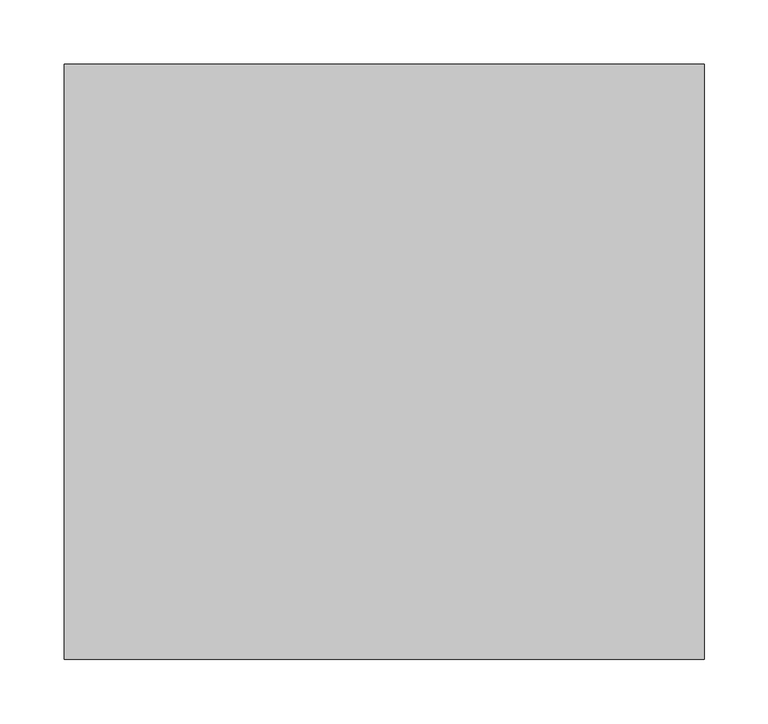
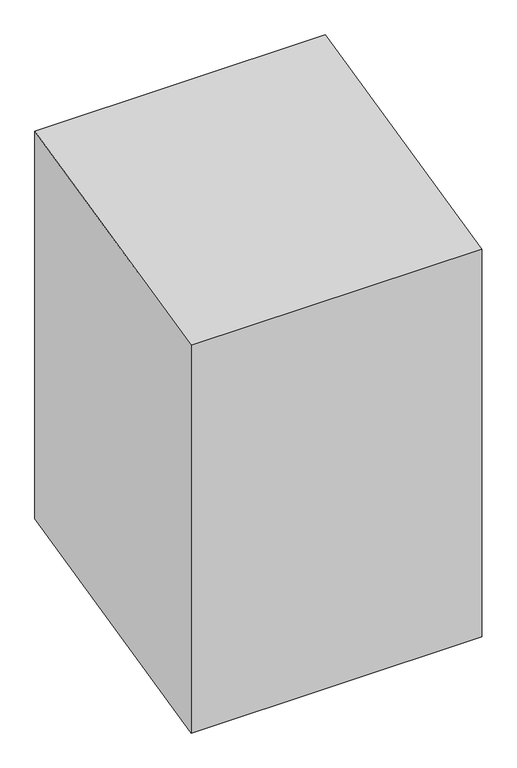
"""IFC4 building model written with IfcOpenShell, lengths in millimetres: beam geometry."""

import ifcopenshell
import ifcopenshell.guid

model = None  # the IFC model being written
_history = None  # IfcOwnerHistory: only IFC2X3 demands one
_inside = {}  # id of a spatial element -> (the spatial element, [elements in it])
_under = {}  # id of a project, library or spatial element -> (it, [spatial elements below it])
_declared = {}  # id of a project -> (the project, [libraries it declares])
_typed = {}  # id of a type object -> (the type object, [elements of that type])
_made_of = {}  # id of a material, layer set ... -> (it, [elements and type objects made of it])


def new_model(schema):
    """Start an empty IFC model of exactly this schema.

    Asked for "IFC4X3", IfcOpenShell would pick the latest addendum, in which some entities
    have other attributes; the version numbers below select the first issue.
    IFC2X3 requires an IfcOwnerHistory on every rooted entity: one is made here for all.
    """
    global model, _history
    if schema == "IFC4X3":
        model = ifcopenshell.file(schema_version=(4, 3, 0, 0))
    else:
        model = ifcopenshell.file(schema=schema)
    _inside.clear()
    _under.clear()
    _declared.clear()
    _typed.clear()
    _made_of.clear()
    _history = None
    if model.schema == "IFC2X3":
        org = make("IfcOrganization", Name="unknown")
        user = make(
            "IfcPersonAndOrganization",
            ThePerson=make("IfcPerson", FamilyName="unknown"),
            TheOrganization=org,
        )
        app = make(
            "IfcApplication",
            ApplicationDeveloper=org,
            Version="unknown",
            ApplicationFullName="unknown",
            ApplicationIdentifier="unknown",
        )
        _history = make(
            "IfcOwnerHistory",
            OwningUser=user,
            OwningApplication=app,
            ChangeAction="ADDED",
            CreationDate=0,
        )
    return model


def make(cls, **values):
    """One entity of the class cls with the attributes given. An attribute that is None is left unset."""
    return model.create_entity(
        cls, **{name: value for name, value in values.items() if value is not None}
    )


def rooted(cls, **values):
    """An entity with a GlobalId (a new one), such as an element, a storey or a relation."""
    return make(cls, GlobalId=ifcopenshell.guid.new(), OwnerHistory=_history, **values)


def si_unit(unit_type, name, prefix=None):
    """IfcSIUnit, for example si_unit("LENGTHUNIT", "METRE", prefix="MILLI")."""
    return make("IfcSIUnit", UnitType=unit_type, Prefix=prefix, Name=name)


def assignment(units):
    """IfcUnitAssignment: the units of a project."""
    return None if units is None else make("IfcUnitAssignment", Units=units)


def point(xyz):
    """IfcCartesianPoint."""
    return None if xyz is None else make("IfcCartesianPoint", Coordinates=xyz)


def direction(xyz):
    """IfcDirection."""
    return None if xyz is None else make("IfcDirection", DirectionRatios=xyz)


def frame(location, z_axis=None, x_axis=None):
    """IfcAxis2Placement3D, a coordinate frame: its origin and axes. An axis left out is left unset."""
    return make(
        "IfcAxis2Placement3D",
        Location=point(location),
        Axis=direction(z_axis),
        RefDirection=direction(x_axis),
    )


def origin():
    """The frame at (0, 0, 0) with its axes left unset."""
    return frame((0.0, 0.0, 0.0))


def place(relative_to, where):
    """IfcLocalPlacement: puts the frame where relative to a parent placement (None: the world)."""
    return make(
        "IfcLocalPlacement", PlacementRelTo=relative_to, RelativePlacement=where
    )


def context(
    kind, dimensions, precision=None, world=None, true_north=None, identifier=None
):
    """IfcGeometricRepresentationContext, for example the 3D "Model" context."""
    return make(
        "IfcGeometricRepresentationContext",
        ContextIdentifier=identifier,
        ContextType=kind,
        CoordinateSpaceDimension=dimensions,
        Precision=precision,
        WorldCoordinateSystem=world,
        TrueNorth=true_north,
    )


def project(units=None, contexts=None):
    """IfcProject with its units and contexts."""
    return rooted(
        "IfcProject",
        Name="project",
        RepresentationContexts=contexts,
        UnitsInContext=assignment(units),
    )


def spatial(cls, under=None, at=None, **own):
    """A site, building, storey or space (cls), placed at a placement, below another one or the project."""
    s = rooted(cls, ObjectPlacement=at, **own)
    if under is not None:
        _under.setdefault(under.id(), (under, []))[1].append(s)
    return s


def polyline(points):
    """IfcPolyline through the points."""
    return make("IfcPolyline", Points=[point(p) for p in points])


def outline(outer, holes=None, kind="AREA"):
    """IfcArbitraryClosedProfileDef: a profile drawn as a closed curve; with holes, ...WithVoids."""
    if holes is None:
        return make("IfcArbitraryClosedProfileDef", ProfileType=kind, OuterCurve=outer)
    return make(
        "IfcArbitraryProfileDefWithVoids",
        ProfileType=kind,
        OuterCurve=outer,
        InnerCurves=holes,
    )


def extrude(swept, where, along, depth):
    """IfcExtrudedAreaSolid: the profile swept, set in the frame where, extruded along a direction by depth."""
    return make(
        "IfcExtrudedAreaSolid",
        SweptArea=swept,
        Position=where,
        ExtrudedDirection=direction(along),
        Depth=depth,
    )


def shape(context_of_items, identifier, shape_type, items):
    """IfcShapeRepresentation: the items that make up one representation, for example the "Body"."""
    return make(
        "IfcShapeRepresentation",
        ContextOfItems=context_of_items,
        RepresentationIdentifier=identifier,
        RepresentationType=shape_type,
        Items=items,
    )


def source(mapping_origin, context_of_items, identifier, shape_type, items):
    """IfcRepresentationMap: a shape defined once, which mapped items show again and again."""
    return make(
        "IfcRepresentationMap",
        MappingOrigin=mapping_origin,
        MappedRepresentation=shape(context_of_items, identifier, shape_type, items),
    )


def transform(
    local_origin,
    x_axis=None,
    y_axis=None,
    z_axis=None,
    scale=None,
    scale2=None,
    scale3=None,
    uniform=True,
):
    """IfcCartesianTransformationOperator3D, or its non-uniform kind. x_axis, y_axis, z_axis: its Axis1, 2, 3."""
    if uniform:
        return make(
            "IfcCartesianTransformationOperator3D",
            Axis1=direction(x_axis),
            Axis2=direction(y_axis),
            LocalOrigin=point(local_origin),
            Scale=scale,
            Axis3=direction(z_axis),
        )
    return make(
        "IfcCartesianTransformationOperator3DnonUniform",
        Axis1=direction(x_axis),
        Axis2=direction(y_axis),
        LocalOrigin=point(local_origin),
        Scale=scale,
        Axis3=direction(z_axis),
        Scale2=scale2,
        Scale3=scale3,
    )


def mapped(mapping_source, mapping_target):
    """IfcMappedItem: shows the shape of a source again, moved by a transform."""
    return make(
        "IfcMappedItem", MappingSource=mapping_source, MappingTarget=mapping_target
    )


def made_of(thing, what):
    """Note that an element or type object is made of a material, layer set ...; save() writes the relation."""
    if what is not None:
        _made_of.setdefault(what.id(), (what, []))[1].append(thing)
    return thing


def element(
    cls,
    number,
    at=None,
    inside=None,
    cuts=None,
    type_object=None,
    material=None,
    context=None,
    identifier="Body",
    shape_type=None,
    held_by="IfcProductDefinitionShape",
    body=None,
    shapes=None,
    **own,
):
    """One element of the class cls, such as IfcWall. Its Tag is "e" and its number.

    at: its placement. inside: the storey or other place that contains it. cuts: it is an
    opening in that element (IfcRelVoidsElement). A single representation is given by context,
    identifier, shape_type and body (its items); several are given by shapes. held_by: the class
    of the entity that holds the representations. save() writes the other relations.
    """
    e = rooted(cls, Tag="e%d" % number, ObjectPlacement=at, **own)
    if body is not None:
        shapes = [shape(context, identifier, shape_type, body)]
    if shapes is not None:
        e.Representation = make(held_by, Representations=shapes)
    if inside is not None:
        _inside.setdefault(inside.id(), (inside, []))[1].append(e)
    if cuts is not None:
        rooted(
            "IfcRelVoidsElement", RelatingBuildingElement=cuts, RelatedOpeningElement=e
        )
    if type_object is not None:
        _typed.setdefault(type_object.id(), (type_object, []))[1].append(e)
    return made_of(e, material)


def aggregate(whole, parts):
    """IfcRelAggregates: a whole, such as a stair, and the parts it consists of."""
    return rooted("IfcRelAggregates", RelatingObject=whole, RelatedObjects=parts)


def save(model, path):
    """Write the relations noted so far, then the file.

    IfcRelAggregates (storeys below a building ...), IfcRelContainedInSpatialStructure (elements
    in a storey), IfcRelDefinesByType, IfcRelAssociatesMaterial and IfcRelDeclares: one each for
    every whole, place, type object, material and project.
    """
    for whole, parts in _under.values():
        aggregate(whole, parts)
    for where, things in _inside.values():
        rooted(
            "IfcRelContainedInSpatialStructure",
            RelatedElements=things,
            RelatingStructure=where,
        )
    for kind, things in _typed.values():
        rooted("IfcRelDefinesByType", RelatedObjects=things, RelatingType=kind)
    for what, things in _made_of.values():
        rooted("IfcRelAssociatesMaterial", RelatedObjects=things, RelatingMaterial=what)
    for by, libraries in _declared.values():
        rooted("IfcRelDeclares", RelatingContext=by, RelatedDefinitions=libraries)
    model.write(path)


def beam_ea45a3a0(model_context):
    return source(origin(), model_context, "Body", "SweptSolid", [
        extrude(outline(polyline([(124068.8261047, 15070.3212776), (124068.8261047, 14364.9472382), (123603.2214886, 14257.4539427), (123603.2214886, 14962.8279821), (124068.8261047, 15070.3212776)])), frame((-67041.0148963, 0.0, 0.0), z_axis=(1.0, 0.0, 0.0), x_axis=(0.0, 1.0, 0.0)), (0.0, 0.0, 1.0), 500.0),
    ])


if __name__ == "__main__":
    model = new_model("IFC4")
    model_context = context("Model", 3, world=origin())
    ifc_project = project(units=[si_unit("LENGTHUNIT", "METRE", prefix="MILLI")], contexts=[model_context])
    site = spatial("IfcSite", under=ifc_project)
    building = spatial("IfcBuilding", under=site)
    placement = place(None, origin())
    beam_shape = beam_ea45a3a0(model_context)
    element("IfcBeam", 1, at=placement, inside=building, context=model_context, shape_type="MappedRepresentation", body=[
        mapped(beam_shape, transform((0.0, 0.0, 0.0), x_axis=(1.0, 0.0, 0.0), y_axis=(0.0, 1.0, 0.0), z_axis=(0.0, 0.0, 1.0))),
    ])
    save(model, "model.ifc")
